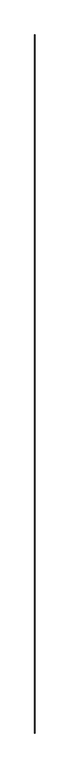
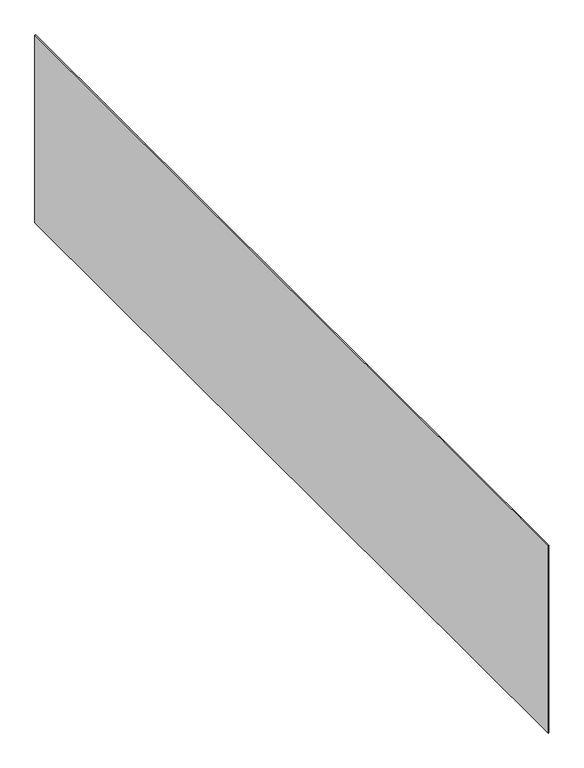
"""IFC4 building model written with IfcOpenShell, lengths in millimetres: proxy geometry."""

import ifcopenshell
import ifcopenshell.guid

model = None  # the IFC model being written
_history = None  # IfcOwnerHistory: only IFC2X3 demands one
_inside = {}  # id of a spatial element -> (the spatial element, [elements in it])
_under = {}  # id of a project, library or spatial element -> (it, [spatial elements below it])
_declared = {}  # id of a project -> (the project, [libraries it declares])
_typed = {}  # id of a type object -> (the type object, [elements of that type])
_made_of = {}  # id of a material, layer set ... -> (it, [elements and type objects made of it])


def new_model(schema):
    """Start an empty IFC model of exactly this schema.

    Asked for "IFC4X3", IfcOpenShell would pick the latest addendum, in which some entities
    have other attributes; the version numbers below select the first issue.
    IFC2X3 requires an IfcOwnerHistory on every rooted entity: one is made here for all.
    """
    global model, _history
    if schema == "IFC4X3":
        model = ifcopenshell.file(schema_version=(4, 3, 0, 0))
    else:
        model = ifcopenshell.file(schema=schema)
    _inside.clear()
    _under.clear()
    _declared.clear()
    _typed.clear()
    _made_of.clear()
    _history = None
    if model.schema == "IFC2X3":
        org = make("IfcOrganization", Name="unknown")
        user = make(
            "IfcPersonAndOrganization",
            ThePerson=make("IfcPerson", FamilyName="unknown"),
            TheOrganization=org,
        )
        app = make(
            "IfcApplication",
            ApplicationDeveloper=org,
            Version="unknown",
            ApplicationFullName="unknown",
            ApplicationIdentifier="unknown",
        )
        _history = make(
            "IfcOwnerHistory",
            OwningUser=user,
            OwningApplication=app,
            ChangeAction="ADDED",
            CreationDate=0,
        )
    return model


def make(cls, **values):
    """One entity of the class cls with the attributes given. An attribute that is None is left unset."""
    return model.create_entity(
        cls, **{name: value for name, value in values.items() if value is not None}
    )


def rooted(cls, **values):
    """An entity with a GlobalId (a new one), such as an element, a storey or a relation."""
    return make(cls, GlobalId=ifcopenshell.guid.new(), OwnerHistory=_history, **values)


def si_unit(unit_type, name, prefix=None):
    """IfcSIUnit, for example si_unit("LENGTHUNIT", "METRE", prefix="MILLI")."""
    return make("IfcSIUnit", UnitType=unit_type, Prefix=prefix, Name=name)


def assignment(units):
    """IfcUnitAssignment: the units of a project."""
    return None if units is None else make("IfcUnitAssignment", Units=units)


def point(xyz):
    """IfcCartesianPoint."""
    return None if xyz is None else make("IfcCartesianPoint", Coordinates=xyz)


def direction(xyz):
    """IfcDirection."""
    return None if xyz is None else make("IfcDirection", DirectionRatios=xyz)


def frame(location, z_axis=None, x_axis=None):
    """IfcAxis2Placement3D, a coordinate frame: its origin and axes. An axis left out is left unset."""
    return make(
        "IfcAxis2Placement3D",
        Location=point(location),
        Axis=direction(z_axis),
        RefDirection=direction(x_axis),
    )


def origin():
    """The frame at (0, 0, 0) with its axes left unset."""
    return frame((0.0, 0.0, 0.0))


def place(relative_to, where):
    """IfcLocalPlacement: puts the frame where relative to a parent placement (None: the world)."""
    return make(
        "IfcLocalPlacement", PlacementRelTo=relative_to, RelativePlacement=where
    )


def context(
    kind, dimensions, precision=None, world=None, true_north=None, identifier=None
):
    """IfcGeometricRepresentationContext, for example the 3D "Model" context."""
    return make(
        "IfcGeometricRepresentationContext",
        ContextIdentifier=identifier,
        ContextType=kind,
        CoordinateSpaceDimension=dimensions,
        Precision=precision,
        WorldCoordinateSystem=world,
        TrueNorth=true_north,
    )


def project(units=None, contexts=None):
    """IfcProject with its units and contexts."""
    return rooted(
        "IfcProject",
        Name="project",
        RepresentationContexts=contexts,
        UnitsInContext=assignment(units),
    )


def spatial(cls, under=None, at=None, **own):
    """A site, building, storey or space (cls), placed at a placement, below another one or the project."""
    s = rooted(cls, ObjectPlacement=at, **own)
    if under is not None:
        _under.setdefault(under.id(), (under, []))[1].append(s)
    return s


def polyline(points):
    """IfcPolyline through the points."""
    return make("IfcPolyline", Points=[point(p) for p in points])


def outline(outer, holes=None, kind="AREA"):
    """IfcArbitraryClosedProfileDef: a profile drawn as a closed curve; with holes, ...WithVoids."""
    if holes is None:
        return make("IfcArbitraryClosedProfileDef", ProfileType=kind, OuterCurve=outer)
    return make(
        "IfcArbitraryProfileDefWithVoids",
        ProfileType=kind,
        OuterCurve=outer,
        InnerCurves=holes,
    )


def extrude(swept, where, along, depth):
    """IfcExtrudedAreaSolid: the profile swept, set in the frame where, extruded along a direction by depth."""
    return make(
        "IfcExtrudedAreaSolid",
        SweptArea=swept,
        Position=where,
        ExtrudedDirection=direction(along),
        Depth=depth,
    )


def shape(context_of_items, identifier, shape_type, items):
    """IfcShapeRepresentation: the items that make up one representation, for example the "Body"."""
    return make(
        "IfcShapeRepresentation",
        ContextOfItems=context_of_items,
        RepresentationIdentifier=identifier,
        RepresentationType=shape_type,
        Items=items,
    )


def source(mapping_origin, context_of_items, identifier, shape_type, items):
    """IfcRepresentationMap: a shape defined once, which mapped items show again and again."""
    return make(
        "IfcRepresentationMap",
        MappingOrigin=mapping_origin,
        MappedRepresentation=shape(context_of_items, identifier, shape_type, items),
    )


def transform(
    local_origin,
    x_axis=None,
    y_axis=None,
    z_axis=None,
    scale=None,
    scale2=None,
    scale3=None,
    uniform=True,
):
    """IfcCartesianTransformationOperator3D, or its non-uniform kind. x_axis, y_axis, z_axis: its Axis1, 2, 3."""
    if uniform:
        return make(
            "IfcCartesianTransformationOperator3D",
            Axis1=direction(x_axis),
            Axis2=direction(y_axis),
            LocalOrigin=point(local_origin),
            Scale=scale,
            Axis3=direction(z_axis),
        )
    return make(
        "IfcCartesianTransformationOperator3DnonUniform",
        Axis1=direction(x_axis),
        Axis2=direction(y_axis),
        LocalOrigin=point(local_origin),
        Scale=scale,
        Axis3=direction(z_axis),
        Scale2=scale2,
        Scale3=scale3,
    )


def mapped(mapping_source, mapping_target):
    """IfcMappedItem: shows the shape of a source again, moved by a transform."""
    return make(
        "IfcMappedItem", MappingSource=mapping_source, MappingTarget=mapping_target
    )


def made_of(thing, what):
    """Note that an element or type object is made of a material, layer set ...; save() writes the relation."""
    if what is not None:
        _made_of.setdefault(what.id(), (what, []))[1].append(thing)
    return thing


def element(
    cls,
    number,
    at=None,
    inside=None,
    cuts=None,
    type_object=None,
    material=None,
    context=None,
    identifier="Body",
    shape_type=None,
    held_by="IfcProductDefinitionShape",
    body=None,
    shapes=None,
    **own,
):
    """One element of the class cls, such as IfcWall. Its Tag is "e" and its number.

    at: its placement. inside: the storey or other place that contains it. cuts: it is an
    opening in that element (IfcRelVoidsElement). A single representation is given by context,
    identifier, shape_type and body (its items); several are given by shapes. held_by: the class
    of the entity that holds the representations. save() writes the other relations.
    """
    e = rooted(cls, Tag="e%d" % number, ObjectPlacement=at, **own)
    if body is not None:
        shapes = [shape(context, identifier, shape_type, body)]
    if shapes is not None:
        e.Representation = make(held_by, Representations=shapes)
    if inside is not None:
        _inside.setdefault(inside.id(), (inside, []))[1].append(e)
    if cuts is not None:
        rooted(
            "IfcRelVoidsElement", RelatingBuildingElement=cuts, RelatedOpeningElement=e
        )
    if type_object is not None:
        _typed.setdefault(type_object.id(), (type_object, []))[1].append(e)
    return made_of(e, material)


def aggregate(whole, parts):
    """IfcRelAggregates: a whole, such as a stair, and the parts it consists of."""
    return rooted("IfcRelAggregates", RelatingObject=whole, RelatedObjects=parts)


def save(model, path):
    """Write the relations noted so far, then the file.

    IfcRelAggregates (storeys below a building ...), IfcRelContainedInSpatialStructure (elements
    in a storey), IfcRelDefinesByType, IfcRelAssociatesMaterial and IfcRelDeclares: one each for
    every whole, place, type object, material and project.
    """
    for whole, parts in _under.values():
        aggregate(whole, parts)
    for where, things in _inside.values():
        rooted(
            "IfcRelContainedInSpatialStructure",
            RelatedElements=things,
            RelatingStructure=where,
        )
    for kind, things in _typed.values():
        rooted("IfcRelDefinesByType", RelatedObjects=things, RelatingType=kind)
    for what, things in _made_of.values():
        rooted("IfcRelAssociatesMaterial", RelatedObjects=things, RelatingMaterial=what)
    for by, libraries in _declared.values():
        rooted("IfcRelDeclares", RelatingContext=by, RelatedDefinitions=libraries)
    model.write(path)


def generic_models_31e56cc8(model_context):
    return source(origin(), model_context, "Body", "SweptSolid", [
        extrude(outline(polyline([(37941.8210168, -18662.4264268), (37941.8210168, -25196.3529893), (37937.0585168, -25196.3529893), (37937.0585168, -18662.4264268), (37941.8210168, -18662.4264268)])), frame((0.0, 0.0, 4189.2214506), z_axis=(0.0, 0.0, 1.0), x_axis=(1.0, 0.0, 0.0)), (0.0, 0.0, 1.0), 1454.3410494),
    ])


if __name__ == "__main__":
    model = new_model("IFC4")
    model_context = context("Model", 3, world=origin())
    ifc_project = project(units=[si_unit("LENGTHUNIT", "METRE", prefix="MILLI")], contexts=[model_context])
    site = spatial("IfcSite", under=ifc_project)
    building = spatial("IfcBuilding", under=site)
    placement = place(None, origin())
    generic_models_shape = generic_models_31e56cc8(model_context)
    element("IfcBuildingElementProxy", 1, Name="Generic Models", at=placement, inside=building, context=model_context, shape_type="MappedRepresentation", body=[
        mapped(generic_models_shape, transform((0.0, 0.0, 0.0), x_axis=(1.0, 0.0, 0.0), y_axis=(0.0, 1.0, 0.0), z_axis=(0.0, 0.0, 1.0))),
    ])
    save(model, "model.ifc")
